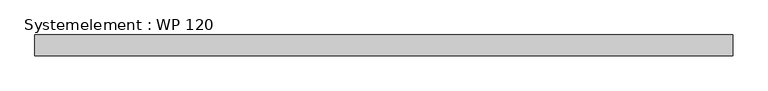
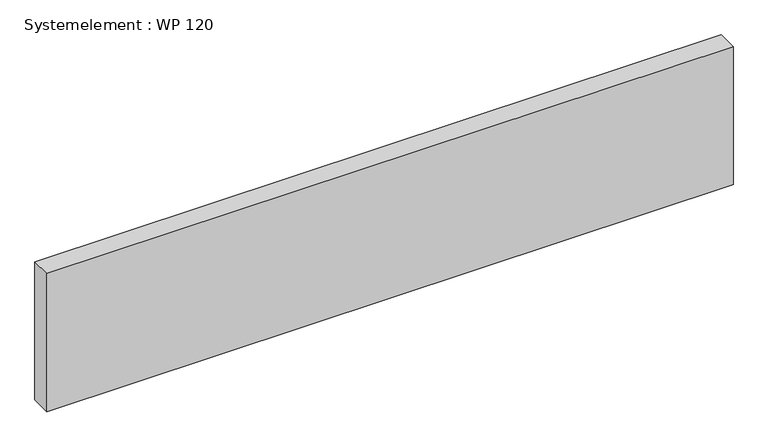
"""IFC4 building model written with IfcOpenShell, lengths in millimetres: plate geometry, Systemelement : WP 120."""

from ifc_helpers import new_model, si_unit, origin, origin_with_axes, place, context, project, spatial, polyline, outline, extrude, source, transform, mapped, element, save


def systemelement_wp_120_1281d85d(model_context):
    return source(origin(), model_context, "Body", "SweptSolid", [
        extrude(outline(polyline([(2000.0, -120.0), (-2000.0, -120.0), (-2000.0, 0.0), (2000.0, 0.0), (2000.0, -120.0)])), origin_with_axes(), (0.0, 0.0, 1.0), 851.6147161),
    ])


if __name__ == "__main__":
    model = new_model("IFC4")
    model_context = context("Model", 3, world=origin())
    ifc_project = project(units=[si_unit("LENGTHUNIT", "METRE", prefix="MILLI")], contexts=[model_context])
    site = spatial("IfcSite", under=ifc_project)
    building = spatial("IfcBuilding", under=site)
    placement = place(None, origin())
    systemelement_wp_120_shape = systemelement_wp_120_1281d85d(model_context)
    element("IfcPlate", 1, ObjectType="Systemelement : WP 120", at=placement, inside=building, context=model_context, shape_type="MappedRepresentation", body=[
        mapped(systemelement_wp_120_shape, transform((0.0, 0.0, 0.0), x_axis=(1.0, 0.0, 0.0), y_axis=(0.0, 1.0, 0.0), z_axis=(0.0, 0.0, 1.0))),
    ])
    save(model, "model.ifc")
